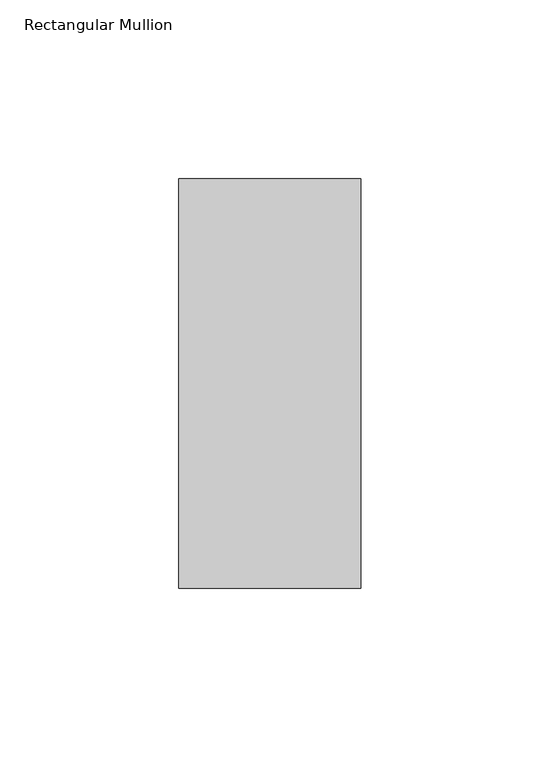
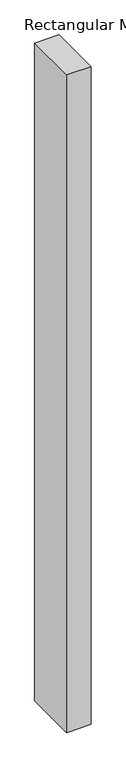
"""IFC4 building model written with IfcOpenShell, lengths in millimetres: member geometry, Rectangular Mullion."""

from ifc_helpers import new_model, si_unit, frame, origin, place, context, project, spatial, polyline, outline, extrude, source, transform, mapped, element, save


def rectangular_mullion_7eaaeb3d(model_context):
    return source(origin(), model_context, "Body", "SweptSolid", [
        extrude(outline(polyline([(25.4, 57.15), (25.4, -57.15), (-25.4, -57.15), (-25.4, 57.15), (25.4, 57.15)])), frame((0.0, 0.0, -1441.45), z_axis=(0.0, 0.0, 1.0), x_axis=(1.0, 0.0, 0.0)), (0.0, 0.0, 1.0), 1441.45),
    ])


if __name__ == "__main__":
    model = new_model("IFC4")
    model_context = context("Model", 3, world=origin())
    ifc_project = project(units=[si_unit("LENGTHUNIT", "METRE", prefix="MILLI")], contexts=[model_context])
    site = spatial("IfcSite", under=ifc_project)
    building = spatial("IfcBuilding", under=site)
    placement = place(None, origin())
    rectangular_mullion_shape = rectangular_mullion_7eaaeb3d(model_context)
    element("IfcMember", 1, ObjectType="Rectangular Mullion", at=placement, inside=building, context=model_context, shape_type="MappedRepresentation", body=[
        mapped(rectangular_mullion_shape, transform((0.0, 0.0, 0.0), x_axis=(1.0, 0.0, 0.0), y_axis=(0.0, 1.0, 0.0), z_axis=(0.0, 0.0, 1.0))),
    ])
    save(model, "model.ifc")
